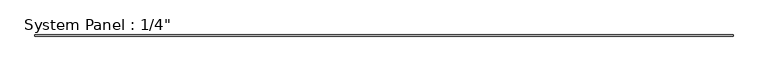
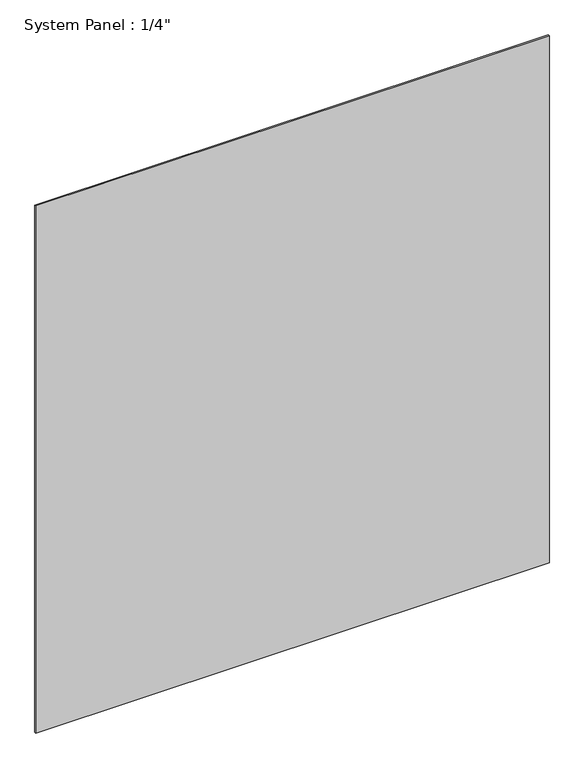
"""IFC4 building model written with IfcOpenShell, lengths in millimetres: plate geometry."""

import ifcopenshell
import ifcopenshell.guid

model = None  # the IFC model being written
_history = None  # IfcOwnerHistory: only IFC2X3 demands one
_inside = {}  # id of a spatial element -> (the spatial element, [elements in it])
_under = {}  # id of a project, library or spatial element -> (it, [spatial elements below it])
_declared = {}  # id of a project -> (the project, [libraries it declares])
_typed = {}  # id of a type object -> (the type object, [elements of that type])
_made_of = {}  # id of a material, layer set ... -> (it, [elements and type objects made of it])


def new_model(schema):
    """Start an empty IFC model of exactly this schema.

    Asked for "IFC4X3", IfcOpenShell would pick the latest addendum, in which some entities
    have other attributes; the version numbers below select the first issue.
    IFC2X3 requires an IfcOwnerHistory on every rooted entity: one is made here for all.
    """
    global model, _history
    if schema == "IFC4X3":
        model = ifcopenshell.file(schema_version=(4, 3, 0, 0))
    else:
        model = ifcopenshell.file(schema=schema)
    _inside.clear()
    _under.clear()
    _declared.clear()
    _typed.clear()
    _made_of.clear()
    _history = None
    if model.schema == "IFC2X3":
        org = make("IfcOrganization", Name="unknown")
        user = make(
            "IfcPersonAndOrganization",
            ThePerson=make("IfcPerson", FamilyName="unknown"),
            TheOrganization=org,
        )
        app = make(
            "IfcApplication",
            ApplicationDeveloper=org,
            Version="unknown",
            ApplicationFullName="unknown",
            ApplicationIdentifier="unknown",
        )
        _history = make(
            "IfcOwnerHistory",
            OwningUser=user,
            OwningApplication=app,
            ChangeAction="ADDED",
            CreationDate=0,
        )
    return model


def make(cls, **values):
    """One entity of the class cls with the attributes given. An attribute that is None is left unset."""
    return model.create_entity(
        cls, **{name: value for name, value in values.items() if value is not None}
    )


def rooted(cls, **values):
    """An entity with a GlobalId (a new one), such as an element, a storey or a relation."""
    return make(cls, GlobalId=ifcopenshell.guid.new(), OwnerHistory=_history, **values)


def si_unit(unit_type, name, prefix=None):
    """IfcSIUnit, for example si_unit("LENGTHUNIT", "METRE", prefix="MILLI")."""
    return make("IfcSIUnit", UnitType=unit_type, Prefix=prefix, Name=name)


def assignment(units):
    """IfcUnitAssignment: the units of a project."""
    return None if units is None else make("IfcUnitAssignment", Units=units)


def point(xyz):
    """IfcCartesianPoint."""
    return None if xyz is None else make("IfcCartesianPoint", Coordinates=xyz)


def direction(xyz):
    """IfcDirection."""
    return None if xyz is None else make("IfcDirection", DirectionRatios=xyz)


def frame(location, z_axis=None, x_axis=None):
    """IfcAxis2Placement3D, a coordinate frame: its origin and axes. An axis left out is left unset."""
    return make(
        "IfcAxis2Placement3D",
        Location=point(location),
        Axis=direction(z_axis),
        RefDirection=direction(x_axis),
    )


def origin():
    """The frame at (0, 0, 0) with its axes left unset."""
    return frame((0.0, 0.0, 0.0))


def origin_with_axes():
    """The frame at (0, 0, 0) with the z axis (0, 0, 1) and the x axis (1, 0, 0) written out."""
    return frame((0.0, 0.0, 0.0), z_axis=(0.0, 0.0, 1.0), x_axis=(1.0, 0.0, 0.0))


def place(relative_to, where):
    """IfcLocalPlacement: puts the frame where relative to a parent placement (None: the world)."""
    return make(
        "IfcLocalPlacement", PlacementRelTo=relative_to, RelativePlacement=where
    )


def context(
    kind, dimensions, precision=None, world=None, true_north=None, identifier=None
):
    """IfcGeometricRepresentationContext, for example the 3D "Model" context."""
    return make(
        "IfcGeometricRepresentationContext",
        ContextIdentifier=identifier,
        ContextType=kind,
        CoordinateSpaceDimension=dimensions,
        Precision=precision,
        WorldCoordinateSystem=world,
        TrueNorth=true_north,
    )


def project(units=None, contexts=None):
    """IfcProject with its units and contexts."""
    return rooted(
        "IfcProject",
        Name="project",
        RepresentationContexts=contexts,
        UnitsInContext=assignment(units),
    )


def spatial(cls, under=None, at=None, **own):
    """A site, building, storey or space (cls), placed at a placement, below another one or the project."""
    s = rooted(cls, ObjectPlacement=at, **own)
    if under is not None:
        _under.setdefault(under.id(), (under, []))[1].append(s)
    return s


def polyline(points):
    """IfcPolyline through the points."""
    return make("IfcPolyline", Points=[point(p) for p in points])


def outline(outer, holes=None, kind="AREA"):
    """IfcArbitraryClosedProfileDef: a profile drawn as a closed curve; with holes, ...WithVoids."""
    if holes is None:
        return make("IfcArbitraryClosedProfileDef", ProfileType=kind, OuterCurve=outer)
    return make(
        "IfcArbitraryProfileDefWithVoids",
        ProfileType=kind,
        OuterCurve=outer,
        InnerCurves=holes,
    )


def extrude(swept, where, along, depth):
    """IfcExtrudedAreaSolid: the profile swept, set in the frame where, extruded along a direction by depth."""
    return make(
        "IfcExtrudedAreaSolid",
        SweptArea=swept,
        Position=where,
        ExtrudedDirection=direction(along),
        Depth=depth,
    )


def shape(context_of_items, identifier, shape_type, items):
    """IfcShapeRepresentation: the items that make up one representation, for example the "Body"."""
    return make(
        "IfcShapeRepresentation",
        ContextOfItems=context_of_items,
        RepresentationIdentifier=identifier,
        RepresentationType=shape_type,
        Items=items,
    )


def source(mapping_origin, context_of_items, identifier, shape_type, items):
    """IfcRepresentationMap: a shape defined once, which mapped items show again and again."""
    return make(
        "IfcRepresentationMap",
        MappingOrigin=mapping_origin,
        MappedRepresentation=shape(context_of_items, identifier, shape_type, items),
    )


def transform(
    local_origin,
    x_axis=None,
    y_axis=None,
    z_axis=None,
    scale=None,
    scale2=None,
    scale3=None,
    uniform=True,
):
    """IfcCartesianTransformationOperator3D, or its non-uniform kind. x_axis, y_axis, z_axis: its Axis1, 2, 3."""
    if uniform:
        return make(
            "IfcCartesianTransformationOperator3D",
            Axis1=direction(x_axis),
            Axis2=direction(y_axis),
            LocalOrigin=point(local_origin),
            Scale=scale,
            Axis3=direction(z_axis),
        )
    return make(
        "IfcCartesianTransformationOperator3DnonUniform",
        Axis1=direction(x_axis),
        Axis2=direction(y_axis),
        LocalOrigin=point(local_origin),
        Scale=scale,
        Axis3=direction(z_axis),
        Scale2=scale2,
        Scale3=scale3,
    )


def mapped(mapping_source, mapping_target):
    """IfcMappedItem: shows the shape of a source again, moved by a transform."""
    return make(
        "IfcMappedItem", MappingSource=mapping_source, MappingTarget=mapping_target
    )


def made_of(thing, what):
    """Note that an element or type object is made of a material, layer set ...; save() writes the relation."""
    if what is not None:
        _made_of.setdefault(what.id(), (what, []))[1].append(thing)
    return thing


def element(
    cls,
    number,
    at=None,
    inside=None,
    cuts=None,
    type_object=None,
    material=None,
    context=None,
    identifier="Body",
    shape_type=None,
    held_by="IfcProductDefinitionShape",
    body=None,
    shapes=None,
    **own,
):
    """One element of the class cls, such as IfcWall. Its Tag is "e" and its number.

    at: its placement. inside: the storey or other place that contains it. cuts: it is an
    opening in that element (IfcRelVoidsElement). A single representation is given by context,
    identifier, shape_type and body (its items); several are given by shapes. held_by: the class
    of the entity that holds the representations. save() writes the other relations.
    """
    e = rooted(cls, Tag="e%d" % number, ObjectPlacement=at, **own)
    if body is not None:
        shapes = [shape(context, identifier, shape_type, body)]
    if shapes is not None:
        e.Representation = make(held_by, Representations=shapes)
    if inside is not None:
        _inside.setdefault(inside.id(), (inside, []))[1].append(e)
    if cuts is not None:
        rooted(
            "IfcRelVoidsElement", RelatingBuildingElement=cuts, RelatedOpeningElement=e
        )
    if type_object is not None:
        _typed.setdefault(type_object.id(), (type_object, []))[1].append(e)
    return made_of(e, material)


def aggregate(whole, parts):
    """IfcRelAggregates: a whole, such as a stair, and the parts it consists of."""
    return rooted("IfcRelAggregates", RelatingObject=whole, RelatedObjects=parts)


def save(model, path):
    """Write the relations noted so far, then the file.

    IfcRelAggregates (storeys below a building ...), IfcRelContainedInSpatialStructure (elements
    in a storey), IfcRelDefinesByType, IfcRelAssociatesMaterial and IfcRelDeclares: one each for
    every whole, place, type object, material and project.
    """
    for whole, parts in _under.values():
        aggregate(whole, parts)
    for where, things in _inside.values():
        rooted(
            "IfcRelContainedInSpatialStructure",
            RelatedElements=things,
            RelatingStructure=where,
        )
    for kind, things in _typed.values():
        rooted("IfcRelDefinesByType", RelatedObjects=things, RelatingType=kind)
    for what, things in _made_of.values():
        rooted("IfcRelAssociatesMaterial", RelatedObjects=things, RelatingMaterial=what)
    for by, libraries in _declared.values():
        rooted("IfcRelDeclares", RelatingContext=by, RelatedDefinitions=libraries)
    model.write(path)


def plate_e780f612(model_context):
    return source(origin(), model_context, "Body", "SweptSolid", [
        extrude(outline(polyline([(1404.9680491, 12.7), (-1404.9680491, 12.7), (-1404.9680491, 19.05), (1404.9680491, 19.05), (1404.9680491, 12.7)])), origin_with_axes(), (0.0, 0.0, 1.0), 3048.0),
    ])


if __name__ == "__main__":
    model = new_model("IFC4")
    model_context = context("Model", 3, world=origin())
    ifc_project = project(units=[si_unit("LENGTHUNIT", "METRE", prefix="MILLI")], contexts=[model_context])
    site = spatial("IfcSite", under=ifc_project)
    building = spatial("IfcBuilding", under=site)
    placement = place(None, origin())
    plate_shape = plate_e780f612(model_context)
    element("IfcPlate", 1, ObjectType="System Panel : 1/4\"", at=placement, inside=building, context=model_context, shape_type="MappedRepresentation", body=[
        mapped(plate_shape, transform((0.0, 0.0, 0.0), x_axis=(1.0, 0.0, 0.0), y_axis=(0.0, 1.0, 0.0), z_axis=(0.0, 0.0, 1.0))),
    ])
    save(model, "model.ifc")
